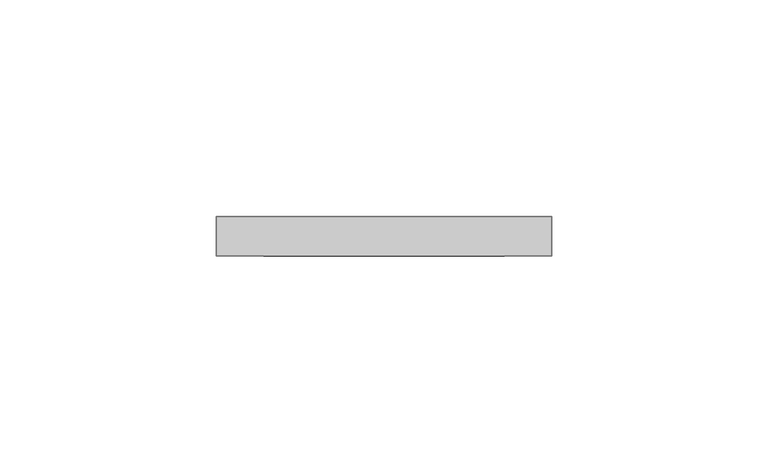
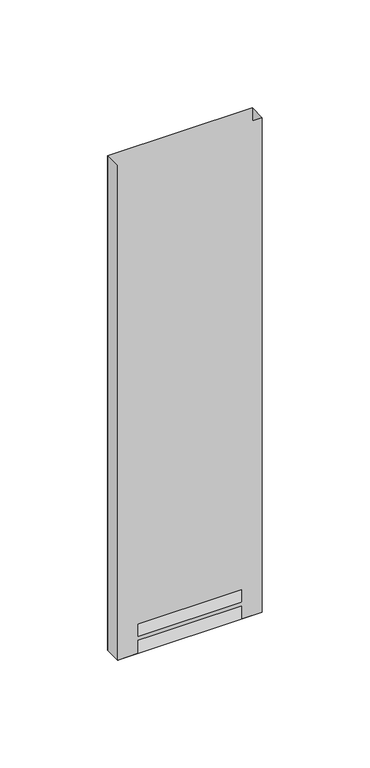
"""IFC4 building model written with IfcOpenShell, lengths in millimetres: furniture geometry."""

from ifc_helpers import new_model, si_unit, origin, place, context, project, spatial, triangles, source, transform, mapped, element, save


def furniture_abdff4e2(model_context):
    return source(origin(), model_context, "Body", "Tessellation", [
        triangles([(11.1759996, -9.1185999, 287.2739985), (0.381, -9.1185999, 287.2739985), (0.381, -9.1185999, 16.8909998), (11.1759996, -9.1185999, 16.8909998), (77.8509984, -9.1185999, 287.2739985), (67.0559996, -9.1185999, 287.2739985), (67.0559996, -9.1185999, 16.8909998), (77.8509984, -9.1185999, 16.8909998), (0.381, 0.0, 16.8909998), (0.381, 0.0, 287.2739985), (77.8509984, 0.0, 287.2739985), (77.8509984, 0.0, 16.8909998), (0.381, -9.1185999, 7.3659998), (11.1759996, -9.1185999, 7.3659998), (67.0559996, -9.1185999, 7.3659998), (77.8509984, -9.1185999, 7.3659998), (0.381, 0.0, 7.3659998), (77.8509984, 0.0, 7.3659998)], [[1, 2, 3], [1, 3, 4], [5, 6, 7], [5, 7, 8], [9, 10, 11], [9, 11, 12], [3, 2, 10], [3, 10, 9], [8, 12, 11], [8, 11, 5], [4, 3, 13], [4, 13, 14], [8, 7, 15], [8, 15, 16], [17, 9, 12], [17, 12, 18], [13, 3, 9], [13, 9, 17], [16, 18, 12], [16, 12, 8], [9, 3, 8], [9, 8, 12], [13, 17, 18], [13, 18, 16]], closed=False),
    ])


if __name__ == "__main__":
    model = new_model("IFC4")
    model_context = context("Model", 3, world=origin())
    ifc_project = project(units=[si_unit("LENGTHUNIT", "METRE", prefix="MILLI")], contexts=[model_context])
    site = spatial("IfcSite", under=ifc_project)
    building = spatial("IfcBuilding", under=site)
    placement = place(None, origin())
    furniture_shape = furniture_abdff4e2(model_context)
    element("IfcFurniture", 1, at=placement, inside=building, context=model_context, shape_type="MappedRepresentation", body=[
        mapped(furniture_shape, transform((0.0, 0.0, 0.0), x_axis=(1.0, 0.0, 0.0), y_axis=(0.0, 1.0, 0.0), z_axis=(0.0, 0.0, 1.0))),
    ])
    save(model, "model.ifc")
